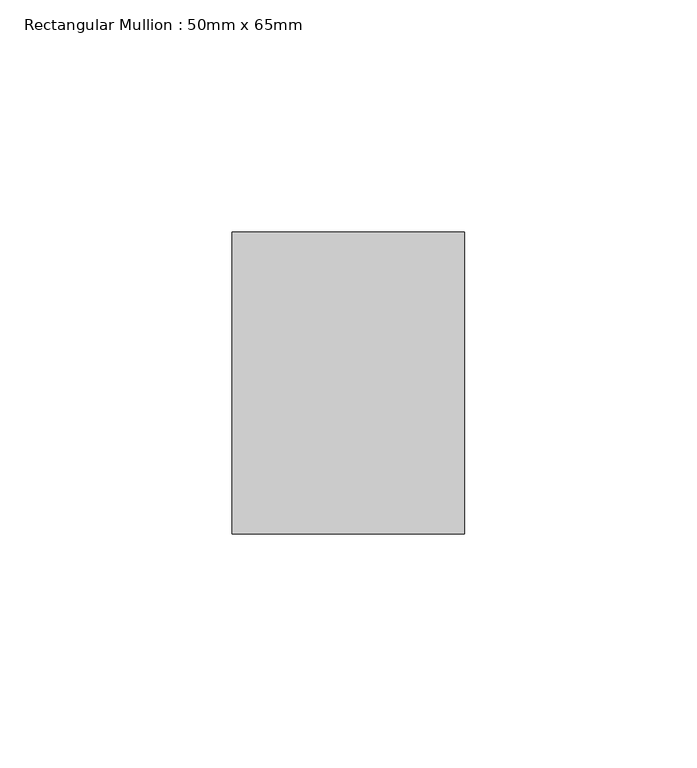
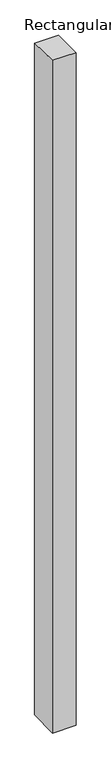
"""IFC4 building model written with IfcOpenShell, lengths in millimetres: member geometry, Rectangular Mullion : 50mm x 65mm."""

from ifc_helpers import new_model, si_unit, origin, place, context, project, spatial, faceted_brep, source, transform, mapped, element, save


def rectangular_mullion_50mm_x_65mm_c6542806(model_context):
    return source(origin(), model_context, "Body", "Brep", [
        faceted_brep([(-25.0, 32.5, -0.4518164), (25.0, 32.5, -0.4518123), (25.0, 32.5, -1499.4318722), (-25.0, 32.5, -1499.431867), (-25.0, -32.5, 0.4518123), (-25.0, -32.5, -1500.5685058), (25.0, -32.5, 0.4518164), (25.0, -32.5, -1500.5685109)], [[[0, 1, 2, 3]], [[4, 0, 3, 5]], [[6, 4, 5, 7]], [[1, 6, 7, 2]], [[1, 0, 4, 6]], [[2, 7, 5, 3]]]),
    ])


if __name__ == "__main__":
    model = new_model("IFC4")
    model_context = context("Model", 3, world=origin())
    ifc_project = project(units=[si_unit("LENGTHUNIT", "METRE", prefix="MILLI")], contexts=[model_context])
    site = spatial("IfcSite", under=ifc_project)
    building = spatial("IfcBuilding", under=site)
    placement = place(None, origin())
    rectangular_mullion_50mm_x_65mm_shape = rectangular_mullion_50mm_x_65mm_c6542806(model_context)
    element("IfcMember", 1, ObjectType="Rectangular Mullion : 50mm x 65mm", at=placement, inside=building, context=model_context, shape_type="MappedRepresentation", body=[
        mapped(rectangular_mullion_50mm_x_65mm_shape, transform((0.0, 0.0, 0.0), x_axis=(1.0, 0.0, 0.0), y_axis=(0.0, 1.0, 0.0), z_axis=(0.0, 0.0, 1.0))),
    ])
    save(model, "model.ifc")
